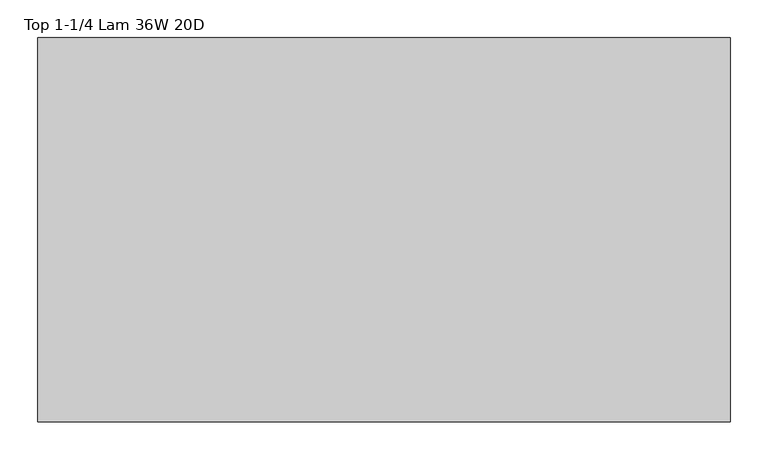
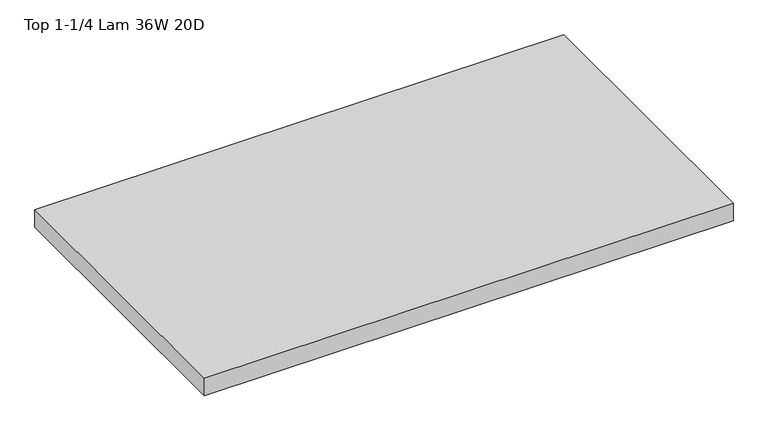
"""IFC4 building model written with IfcOpenShell, lengths in millimetres: furniture geometry, Top 1-1/4 Lam 36W 20D."""

from ifc_helpers import new_model, si_unit, frame, origin, place, context, project, spatial, polyline, outline, extrude, source, transform, mapped, element, save


def top_1_1_4_lam_36w_20d_a6c399dc(model_context):
    return source(origin(), model_context, "Body", "SweptSolid", [
        extrude(outline(polyline([(0.0, 508.0), (914.4, 508.0), (914.4, 0.0), (0.0, 0.0), (0.0, 508.0)])), frame((0.0, 0.0, 688.9750242), z_axis=(0.0, 0.0, 1.0), x_axis=(1.0, 0.0, 0.0)), (0.0, 0.0, 1.0), 31.75),
    ])


if __name__ == "__main__":
    model = new_model("IFC4")
    model_context = context("Model", 3, world=origin())
    ifc_project = project(units=[si_unit("LENGTHUNIT", "METRE", prefix="MILLI")], contexts=[model_context])
    site = spatial("IfcSite", under=ifc_project)
    building = spatial("IfcBuilding", under=site)
    placement = place(None, origin())
    top_1_1_4_lam_36w_20d_shape = top_1_1_4_lam_36w_20d_a6c399dc(model_context)
    element("IfcFurniture", 1, ObjectType="Top 1-1/4 Lam 36W 20D", at=placement, inside=building, context=model_context, shape_type="MappedRepresentation", body=[
        mapped(top_1_1_4_lam_36w_20d_shape, transform((0.0, 0.0, 0.0), x_axis=(1.0, 0.0, 0.0), y_axis=(0.0, 1.0, 0.0), z_axis=(0.0, 0.0, 1.0))),
    ])
    save(model, "model.ifc")
